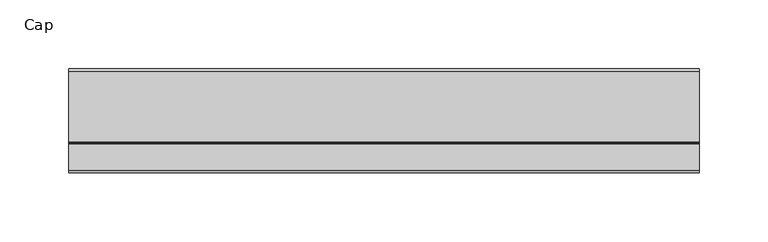
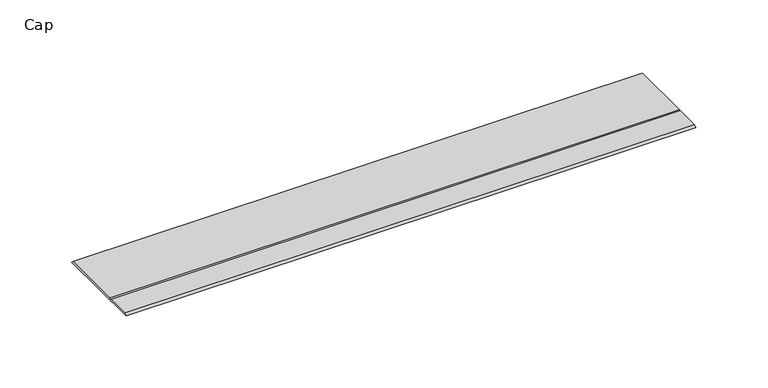
"""IFC4 building model written with IfcOpenShell, lengths in millimetres: furniture geometry, Cap."""

from ifc_helpers import new_model, si_unit, frame, origin, place, context, project, spatial, polyline, outline, extrude, source, transform, mapped, element, save


def cap_b7f1315a(model_context):
    return source(origin(), model_context, "Body", "SweptSolid", [
        extrude(outline(polyline([(46.5601737, 0.0), (-28.948195, 0.0), (-27.0760904, 1.5875), (-8.0302549, 1.5875), (-7.1219223, 0.6791674), (-6.2135897, 1.5875), (44.9726737, 1.5875), (46.5601737, 0.0)])), frame((-198.6228469, 0.0, 0.0), z_axis=(1.0, 0.0, 0.0), x_axis=(0.0, 1.0, 0.0)), (0.0, 0.0, 1.0), 457.2),
    ])


if __name__ == "__main__":
    model = new_model("IFC4")
    model_context = context("Model", 3, world=origin())
    ifc_project = project(units=[si_unit("LENGTHUNIT", "METRE", prefix="MILLI")], contexts=[model_context])
    site = spatial("IfcSite", under=ifc_project)
    building = spatial("IfcBuilding", under=site)
    placement = place(None, origin())
    cap_shape = cap_b7f1315a(model_context)
    element("IfcFurniture", 1, ObjectType="Cap", at=placement, inside=building, context=model_context, shape_type="MappedRepresentation", body=[
        mapped(cap_shape, transform((0.0, 0.0, 0.0), x_axis=(1.0, 0.0, 0.0), y_axis=(0.0, 1.0, 0.0), z_axis=(0.0, 0.0, 1.0))),
    ])
    save(model, "model.ifc")
